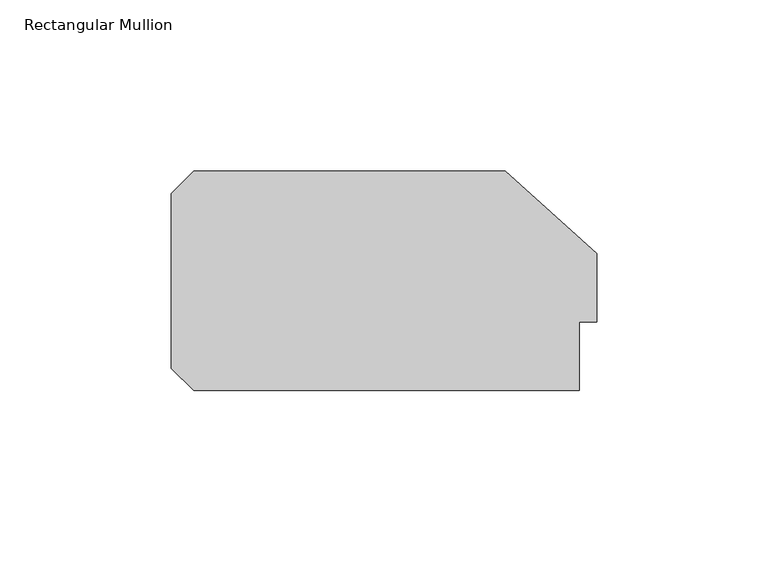
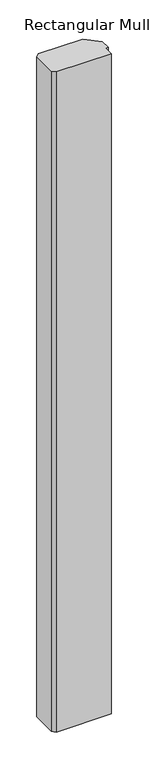
"""IFC4 building model written with IfcOpenShell, lengths in millimetres: member geometry, Rectangular Mullion."""

from ifc_helpers import new_model, si_unit, frame, origin, place, context, project, spatial, polyline, outline, extrude, source, transform, mapped, element, save


def rectangular_mullion_6fe21044(model_context):
    return source(origin(), model_context, "Body", "SweptSolid", [
        extrude(outline(polyline([(-5.0, 20.0), (-5.0, 0.0), (-117.5, 0.0), (-124.0, 6.5), (-124.0, 57.5), (-117.5, 64.0), (-26.6547004, 64.0), (0.0, 40.0), (0.0, 20.0), (-5.0, 20.0)])), frame((0.0, 0.0, -1425.0000002), z_axis=(0.0, 0.0, 1.0), x_axis=(1.0, 0.0, 0.0)), (0.0, 0.0, 1.0), 1425.0000002),
    ])


if __name__ == "__main__":
    model = new_model("IFC4")
    model_context = context("Model", 3, world=origin())
    ifc_project = project(units=[si_unit("LENGTHUNIT", "METRE", prefix="MILLI")], contexts=[model_context])
    site = spatial("IfcSite", under=ifc_project)
    building = spatial("IfcBuilding", under=site)
    placement = place(None, origin())
    rectangular_mullion_shape = rectangular_mullion_6fe21044(model_context)
    element("IfcMember", 1, ObjectType="Rectangular Mullion", at=placement, inside=building, context=model_context, shape_type="MappedRepresentation", body=[
        mapped(rectangular_mullion_shape, transform((0.0, 0.0, 0.0), x_axis=(1.0, 0.0, 0.0), y_axis=(0.0, 1.0, 0.0), z_axis=(0.0, 0.0, 1.0))),
    ])
    save(model, "model.ifc")
